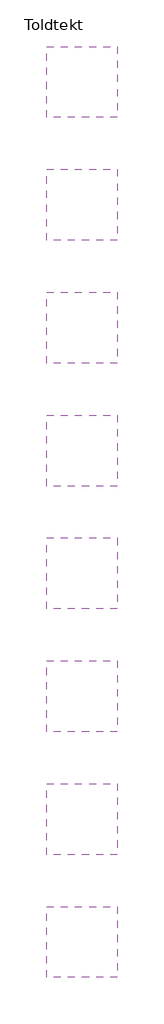
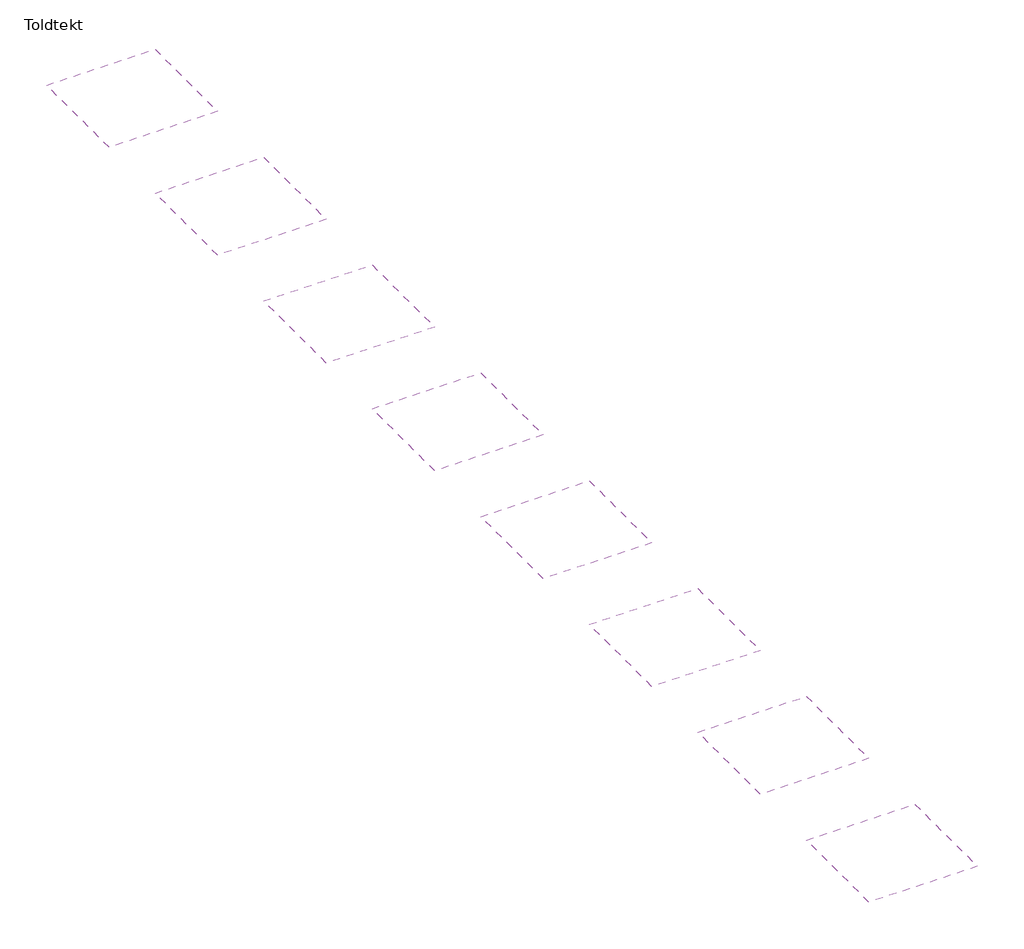
# One storey: 8 coverings.
"""IFC4 building model written with IfcOpenShell, lengths in millimetres."""

from ifc_helpers import new_model, si_unit, frame, origin, place, context, project, spatial, polyline, outline, extrude, element, save

model = new_model("IFC4")

# Units and contexts
model_context = context("Model", 3, world=origin())
ifc_project = project(units=[si_unit("LENGTHUNIT", "METRE", prefix="MILLI")], contexts=[model_context])

# Site, building, storey
site = spatial("IfcSite", under=ifc_project)
building = spatial("IfcBuilding", under=site)
storey = spatial("IfcBuildingStorey", under=building, Name="Toldtekt", Elevation=0.0)

# Coverings
placement = place(None, origin())
element("IfcCovering", 1, ObjectType="Troldtekt_C60system_25mm, 600X1200 running bond", at=placement, inside=storey, context=model_context, shape_type="SweptSolid", body=[
    extrude(outline(polyline([(17169.5723108, 24163.0097108), (17169.5723108, 21163.0097108), (14169.5723108, 21163.0097108), (14169.5723108, 24163.0097108), (17169.5723108, 24163.0097108)])), frame((0.0, 0.0, 2600.0), z_axis=(0.0, 0.0, 1.0), x_axis=(1.0, 0.0, 0.0)), (0.0, 0.0, 1.0), 79.0),
])
element("IfcCovering", 2, ObjectType="Troldtekt_C60system_25mm, 600X1200 stack bond", at=placement, inside=storey, context=model_context, shape_type="SweptSolid", body=[
    extrude(outline(polyline([(17169.5723108, 18963.021805), (17169.5723108, 15963.021805), (14169.5723108, 15963.021805), (14169.5723108, 18963.021805), (17169.5723108, 18963.021805)])), frame((0.0, 0.0, 2600.0), z_axis=(0.0, 0.0, 1.0), x_axis=(1.0, 0.0, 0.0)), (0.0, 0.0, 1.0), 79.0),
])
element("IfcCovering", 3, ObjectType="Troldtekt_C60system_25mm, 600X2000 running bond", at=placement, inside=storey, context=model_context, shape_type="SweptSolid", body=[
    extrude(outline(polyline([(17169.5723108, 13763.0338993), (17169.5723108, 10763.0338993), (14169.5723108, 10763.0338993), (14169.5723108, 13763.0338993), (17169.5723108, 13763.0338993)])), frame((0.0, 0.0, 2600.0), z_axis=(0.0, 0.0, 1.0), x_axis=(1.0, 0.0, 0.0)), (0.0, 0.0, 1.0), 79.0),
])
element("IfcCovering", 4, ObjectType="Troldtekt_C60system_25mm, 600X2000 stack bond", at=placement, inside=storey, context=model_context, shape_type="SweptSolid", body=[
    extrude(outline(polyline([(17169.5723108, 8563.0459935), (17169.5723108, 5563.0459935), (14169.5723108, 5563.0459935), (14169.5723108, 8563.0459935), (17169.5723108, 8563.0459935)])), frame((0.0, 0.0, 2600.0), z_axis=(0.0, 0.0, 1.0), x_axis=(1.0, 0.0, 0.0)), (0.0, 0.0, 1.0), 79.0),
])
element("IfcCovering", 5, ObjectType="Troldtekt_C60system_25mm, 600X2400 running bond", at=placement, inside=storey, context=model_context, shape_type="SweptSolid", body=[
    extrude(outline(polyline([(17169.5723108, 3363.0580878), (17169.5723108, 363.0580878), (14169.5723108, 363.0580878), (14169.5723108, 3363.0580878), (17169.5723108, 3363.0580878)])), frame((0.0, 0.0, 2600.0), z_axis=(0.0, 0.0, 1.0), x_axis=(1.0, 0.0, 0.0)), (0.0, 0.0, 1.0), 79.0),
])
element("IfcCovering", 6, ObjectType="Troldtekt_C60system_25mm, 600X2400 stack bond", at=placement, inside=storey, context=model_context, shape_type="SweptSolid", body=[
    extrude(outline(polyline([(17169.5723108, -1836.929818), (17169.5723108, -4836.929818), (14169.5723108, -4836.929818), (14169.5723108, -1836.929818), (17169.5723108, -1836.929818)])), frame((0.0, 0.0, 2600.0), z_axis=(0.0, 0.0, 1.0), x_axis=(1.0, 0.0, 0.0)), (0.0, 0.0, 1.0), 79.0),
])
element("IfcCovering", 7, ObjectType="Troldtekt_C60system_25mm, 600X600 running bond", at=placement, inside=storey, context=model_context, shape_type="SweptSolid", body=[
    extrude(outline(polyline([(17169.5723108, 34562.9855223), (17169.5723108, 31562.9855223), (14169.5723108, 31562.9855223), (14169.5723108, 34562.9855223), (17169.5723108, 34562.9855223)])), frame((0.0, 0.0, 2600.0), z_axis=(0.0, 0.0, 1.0), x_axis=(1.0, 0.0, 0.0)), (0.0, 0.0, 1.0), 79.0),
])
element("IfcCovering", 8, ObjectType="Troldtekt_C60system_25mm, 600X600 stack bond", at=placement, inside=storey, context=model_context, shape_type="SweptSolid", body=[
    extrude(outline(polyline([(17169.5723108, 29362.9976165), (17169.5723108, 26362.9976165), (14169.5723108, 26362.9976165), (14169.5723108, 29362.9976165), (17169.5723108, 29362.9976165)])), frame((0.0, 0.0, 2600.0), z_axis=(0.0, 0.0, 1.0), x_axis=(1.0, 0.0, 0.0)), (0.0, 0.0, 1.0), 79.0),
])

save(model, "model.ifc")
